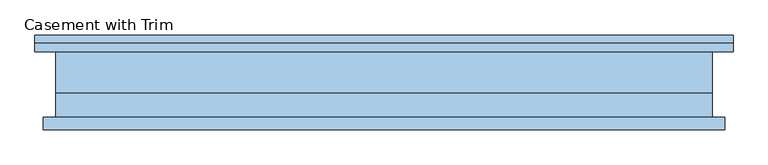
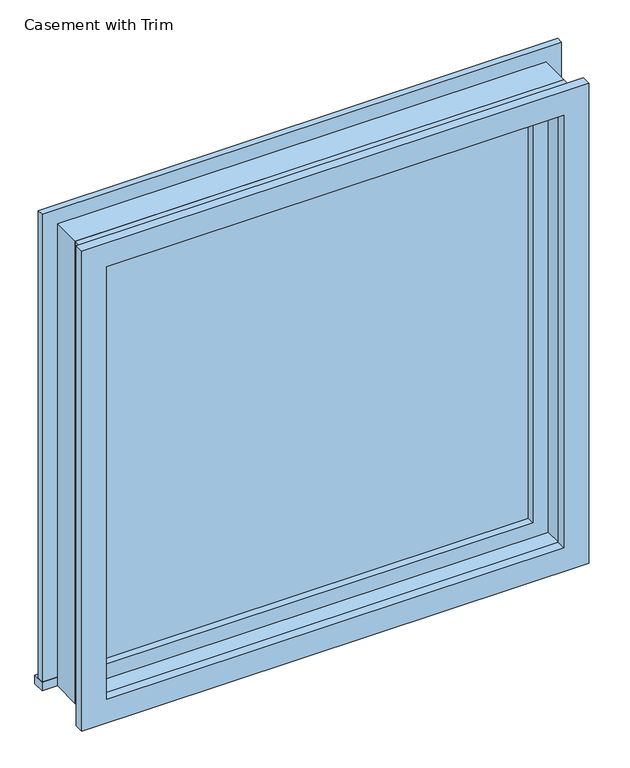
"""IFC4 building model written with IfcOpenShell, lengths in millimetres: window geometry, Casement with Trim."""

from ifc_helpers import new_model, si_unit, frame, origin, place, context, project, spatial, polyline, outline, extrude, source, transform, mapped, element, save


def casement_with_trim_e0111521(model_context):
    return source(origin(), model_context, "Body", "SweptSolid", [
        extrude(outline(polyline([(-531.75, 75.4), (531.75, 75.4), (531.75, 50.0), (-531.75, 50.0), (-531.75, 75.4)])), frame((0.0, 0.0, 914.4), z_axis=(0.0, 0.0, 1.0), x_axis=(1.0, 0.0, 0.0)), (0.0, 0.0, 1.0), 19.05),
        extrude(outline(polyline([(1895.35, -480.95), (1895.35, 480.95), (933.45, 480.95), (933.45, 531.75), (1946.15, 531.75), (1946.15, -531.75), (933.45, -531.75), (933.45, -480.95), (1895.35, -480.95)])), frame((0.0, 50.0, 0.0), z_axis=(0.0, 1.0, 0.0), x_axis=(0.0, 0.0, 1.0)), (0.0, 0.0, 1.0), 12.7),
        extrude(outline(polyline([(1933.45, 519.05), (1933.45, -519.05), (895.35, -519.05), (895.35, 519.05), (1933.45, 519.05)]), holes=[polyline([(1882.65, 468.25), (946.15, 468.25), (946.15, -468.25), (1882.65, -468.25), (1882.65, 468.25)])]), frame((0.0, -69.05, 0.0), z_axis=(0.0, 1.0, 0.0), x_axis=(0.0, 0.0, 1.0)), (0.0, 0.0, 1.0), 19.05),
        extrude(outline(polyline([(436.5, 2.375), (-436.5, 2.375), (-436.5, 15.075), (436.5, 15.075), (436.5, 2.375)])), frame((0.0, 0.0, 977.9), z_axis=(0.0, 0.0, 1.0), x_axis=(1.0, 0.0, 0.0)), (0.0, 0.0, 1.0), 873.0),
        extrude(outline(polyline([(1895.35, -480.95), (933.45, -480.95), (933.45, 480.95), (1895.35, 480.95), (1895.35, -480.95)]), holes=[polyline([(1850.9, -436.5), (1850.9, 436.5), (977.9, 436.5), (977.9, -436.5), (1850.9, -436.5)])]), frame((0.0, -13.5, 0.0), z_axis=(0.0, 1.0, 0.0), x_axis=(0.0, 0.0, 1.0)), (0.0, 0.0, 1.0), 44.45),
        extrude(outline(polyline([(1914.4, -500.0), (914.4, -500.0), (914.4, 500.0), (1914.4, 500.0), (1914.4, -500.0)]), holes=[polyline([(1882.65, -468.25), (1882.65, 468.25), (946.15, 468.25), (946.15, -468.25), (1882.65, -468.25)])]), frame((0.0, -50.0, 0.0), z_axis=(0.0, 1.0, 0.0), x_axis=(0.0, 0.0, 1.0)), (0.0, 0.0, 1.0), 36.5),
        extrude(outline(polyline([(1914.4, 500.0), (1914.4, -500.0), (914.4, -500.0), (914.4, 500.0), (1914.4, 500.0)]), holes=[polyline([(1895.35, 480.95), (933.45, 480.95), (933.45, -480.95), (1895.35, -480.95), (1895.35, 480.95)])]), frame((0.0, -13.5, 0.0), z_axis=(0.0, 1.0, 0.0), x_axis=(0.0, 0.0, 1.0)), (0.0, 0.0, 1.0), 63.5),
    ])


if __name__ == "__main__":
    model = new_model("IFC4")
    model_context = context("Model", 3, world=origin())
    ifc_project = project(units=[si_unit("LENGTHUNIT", "METRE", prefix="MILLI")], contexts=[model_context])
    site = spatial("IfcSite", under=ifc_project)
    building = spatial("IfcBuilding", under=site)
    placement = place(None, origin())
    casement_with_trim_shape = casement_with_trim_e0111521(model_context)
    element("IfcWindow", 1, ObjectType="Casement with Trim", at=placement, inside=building, context=model_context, shape_type="MappedRepresentation", body=[
        mapped(casement_with_trim_shape, transform((0.0, 0.0, 0.0), x_axis=(1.0, 0.0, 0.0), y_axis=(0.0, 1.0, 0.0), z_axis=(0.0, 0.0, 1.0))),
    ])
    save(model, "model.ifc")
